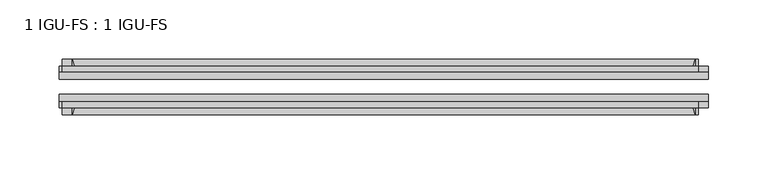
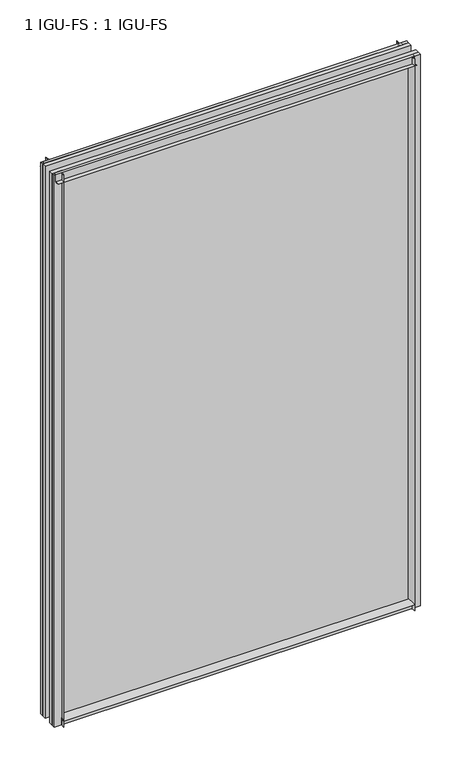
"""IFC4 building model written with IfcOpenShell, lengths in millimetres: plate geometry, 1 IGU-FS : 1 IGU-FS."""

from ifc_helpers import new_model, si_unit, point, frame, frame_2d, origin, place, context, project, spatial, polyline, circle_curve, trimmed, segment, composite_curve, outline, extrude, source, transform, mapped, element, save


def plate_1_igu_fs_1_igu_fs_e910dcac(model_context):
    return source(origin(), model_context, "Body", "SweptSolid", [
        extrude(outline(composite_curve([segment(polyline([(-44.859575, -9.525), (-44.859575, 0.0), (-50.8285753, 0.0)]), True, "CONTINUOUS"), segment(trimmed(circle_curve(frame_2d((-56.4601953, 32.279754)), 32.7673262), [point((-50.8285753, 0.0))], [point((-40.084375, 3.8978906))], True, "CARTESIAN"), True, "CONTINUOUS"), segment(polyline([(-40.084375, 3.8978906), (-40.084375, -9.525), (-44.859575, -9.525)]), True, "CONTINUOUS")], self_intersect=False)), frame((-263.5261906, 0.0, 0.0), z_axis=(1.0, 0.0, 0.0), x_axis=(0.0, 1.0, 0.0)), (0.0, 0.0, 1.0), 527.0523813),
        extrude(outline(composite_curve([segment(polyline([(-9.909175, -9.525), (-14.684375, -9.525), (-14.684375, 3.8978906)]), True, "CONTINUOUS"), segment(trimmed(circle_curve(frame_2d((1.6914453, 32.279754)), 32.7673262), [point((-14.684375, 3.8978906))], [point((-3.9401747, 0.0))], True, "CARTESIAN"), True, "CONTINUOUS"), segment(polyline([(-3.9401747, 0.0), (-9.909175, 0.0), (-9.909175, -9.525)]), True, "CONTINUOUS")], self_intersect=False)), frame((-263.5261906, 0.0, 0.0), z_axis=(1.0, 0.0, 0.0), x_axis=(0.0, 1.0, 0.0)), (0.0, 0.0, 1.0), 527.0523813),
        extrude(outline(composite_curve([segment(polyline([(-9.909175, 865.1875), (-9.909175, 854.075), (-3.9401753, 854.075)]), True, "CONTINUOUS"), segment(trimmed(circle_curve(frame_2d((1.6914453, 821.7952461)), 32.7673262), [point((-3.9401753, 854.075))], [point((-14.684375, 850.1771096))], True, "CARTESIAN"), True, "CONTINUOUS"), segment(polyline([(-14.684375, 850.1771096), (-14.684375, 865.1875), (-9.909175, 865.1875)]), True, "CONTINUOUS")], self_intersect=False)), frame((-272.0389293, 0.0, 0.0), z_axis=(1.0, 0.0, 0.0), x_axis=(0.0, 1.0, 0.0)), (0.0, 0.0, 1.0), 538.1110814),
        extrude(outline(composite_curve([segment(polyline([(-40.084375, 865.1875), (-40.084375, 850.1771096)]), True, "CONTINUOUS"), segment(trimmed(circle_curve(frame_2d((-56.4601953, 821.7952461)), 32.7673262), [point((-40.084375, 850.1771096))], [point((-50.8285747, 854.075))], True, "CARTESIAN"), True, "CONTINUOUS"), segment(polyline([(-50.8285747, 854.075), (-44.859575, 854.075), (-44.859575, 865.1875), (-40.084375, 865.1875)]), True, "CONTINUOUS")], self_intersect=False)), frame((-272.0389293, 0.0, 0.0), z_axis=(1.0, 0.0, 0.0), x_axis=(0.0, 1.0, 0.0)), (0.0, 0.0, 1.0), 538.1110814),
        extrude(outline(composite_curve([segment(polyline([(274.6386906, -9.909175), (274.6386906, -14.684375), (259.6283001, -14.684375)]), True, "CONTINUOUS"), segment(trimmed(circle_curve(frame_2d((231.2464367, 1.6914453)), 32.7673262), [point((259.6283001, -14.684375))], [point((263.5261906, -3.940175))], True, "CARTESIAN"), True, "CONTINUOUS"), segment(polyline([(263.5261906, -3.940175), (263.5261906, -9.909175), (274.6386906, -9.909175)]), True, "CONTINUOUS")], self_intersect=False)), frame((0.0, 0.0, -9.525), z_axis=(0.0, 0.0, 1.0), x_axis=(1.0, 0.0, 0.0)), (0.0, 0.0, 1.0), 874.7125),
        extrude(outline(composite_curve([segment(polyline([(274.6386906, -40.084375), (274.6386906, -44.859575), (263.5261906, -44.859575), (263.5261906, -50.828575)]), True, "CONTINUOUS"), segment(trimmed(circle_curve(frame_2d((231.2464367, -56.4601953)), 32.7673262), [point((263.5261906, -50.828575))], [point((259.6283001, -40.084375))], True, "CARTESIAN"), True, "CONTINUOUS"), segment(polyline([(259.6283001, -40.084375), (274.6386906, -40.084375)]), True, "CONTINUOUS")], self_intersect=False)), frame((0.0, 0.0, -9.525), z_axis=(0.0, 0.0, 1.0), x_axis=(1.0, 0.0, 0.0)), (0.0, 0.0, 1.0), 874.7125),
        extrude(outline(composite_curve([segment(polyline([(-274.6386906, -9.909175), (-263.5261906, -9.909175), (-263.5261906, -3.940175)]), True, "CONTINUOUS"), segment(trimmed(circle_curve(frame_2d((-231.2464367, 1.6914453)), 32.7673262), [point((-263.5261906, -3.940175))], [point((-259.6283001, -14.684375))], True, "CARTESIAN"), True, "CONTINUOUS"), segment(polyline([(-259.6283001, -14.684375), (-274.6386906, -14.684375), (-274.6386906, -9.909175)]), True, "CONTINUOUS")], self_intersect=False)), frame((0.0, 0.0, -9.525), z_axis=(0.0, 0.0, 1.0), x_axis=(1.0, 0.0, 0.0)), (0.0, 0.0, 1.0), 874.7125),
        extrude(outline(composite_curve([segment(polyline([(-274.6386906, -44.859575), (-274.6386906, -40.084375), (-259.6283001, -40.084375)]), True, "CONTINUOUS"), segment(trimmed(circle_curve(frame_2d((-231.2464367, -56.4601953)), 32.7673262), [point((-259.6283001, -40.084375))], [point((-263.5261906, -50.828575))], True, "CARTESIAN"), True, "CONTINUOUS"), segment(polyline([(-263.5261906, -50.828575), (-263.5261906, -44.859575), (-274.6386906, -44.859575)]), True, "CONTINUOUS")], self_intersect=False)), frame((0.0, 0.0, -9.525), z_axis=(0.0, 0.0, 1.0), x_axis=(1.0, 0.0, 0.0)), (0.0, 0.0, 1.0), 874.7125),
        extrude(outline(polyline([(-274.6386906, -40.084375), (-274.6386906, -33.785175), (274.6386906, -33.785175), (274.6386906, -40.084375), (-274.6386906, -40.084375)])), frame((0.0, 0.0, -9.525), z_axis=(0.0, 0.0, 1.0), x_axis=(1.0, 0.0, 0.0)), (0.0, 0.0, 1.0), 874.7125),
        extrude(outline(polyline([(274.6386906, -20.983575), (-274.6386906, -20.983575), (-274.6386906, -14.684375), (274.6386906, -14.684375), (274.6386906, -20.983575)])), frame((0.0, 0.0, -9.525), z_axis=(0.0, 0.0, 1.0), x_axis=(1.0, 0.0, 0.0)), (0.0, 0.0, 1.0), 874.7125),
    ])


if __name__ == "__main__":
    model = new_model("IFC4")
    model_context = context("Model", 3, world=origin())
    ifc_project = project(units=[si_unit("LENGTHUNIT", "METRE", prefix="MILLI")], contexts=[model_context])
    site = spatial("IfcSite", under=ifc_project)
    building = spatial("IfcBuilding", under=site)
    placement = place(None, origin())
    plate_1_igu_fs_1_igu_fs_shape = plate_1_igu_fs_1_igu_fs_e910dcac(model_context)
    element("IfcPlate", 1, ObjectType="1 IGU-FS : 1 IGU-FS", at=placement, inside=building, context=model_context, shape_type="MappedRepresentation", body=[
        mapped(plate_1_igu_fs_1_igu_fs_shape, transform((0.0, 0.0, 0.0), x_axis=(1.0, 0.0, 0.0), y_axis=(0.0, 1.0, 0.0), z_axis=(0.0, 0.0, 1.0))),
    ])
    save(model, "model.ifc")
